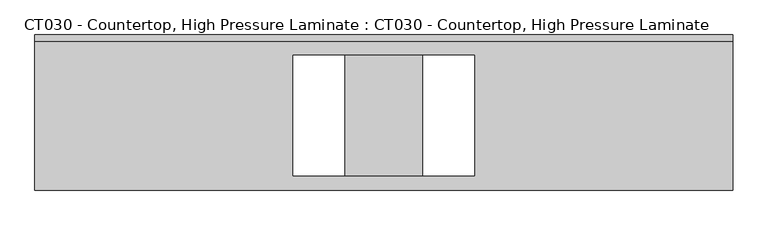
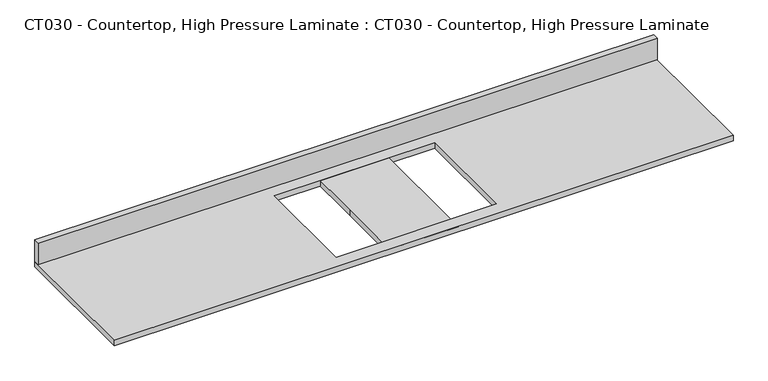
"""IFC4 building model written with IfcOpenShell, lengths in millimetres: proxy geometry, CT030 - Countertop, High Pressure Laminate : CT030 - Countertop, High Pressure Laminate."""

from ifc_helpers import new_model, si_unit, frame, origin, origin_with_axes, place, context, project, spatial, polyline, outline, extrude, source, transform, mapped, element, save


def ct030_countertop_high_pressure_laminate_ct030_countertop_1d1e0fe2(model_context):
    return source(origin(), model_context, "Body", "SweptSolid", [
        extrude(outline(polyline([(1371.6, 304.8), (1371.6, -304.8), (-1371.6, -304.8), (-1371.6, 304.8), (1371.6, 304.8)]), holes=[polyline([(355.6, 225.425), (-355.6000001, 225.425), (-355.6000001, -247.65), (355.6, -247.65), (355.6, 225.425)])]), origin_with_axes(), (0.0, 0.0, 1.0), 25.4),
        extrude(outline(polyline([(-1371.6, 279.4), (-1371.6, 304.8), (1371.6, 304.8), (1371.6, 279.4), (-1371.6, 279.4)])), frame((0.0, 0.0, 25.4), z_axis=(0.0, 0.0, 1.0), x_axis=(1.0, 0.0, 0.0)), (0.0, 0.0, 1.0), 101.6),
        extrude(outline(polyline([(-152.4, 304.8), (152.4, 304.8), (152.4, -304.8), (-152.4, -304.8), (-152.4, 0.0), (-152.4, 304.8)])), origin_with_axes(), (0.0, 0.0, 1.0), 25.4),
    ])


if __name__ == "__main__":
    model = new_model("IFC4")
    model_context = context("Model", 3, world=origin())
    ifc_project = project(units=[si_unit("LENGTHUNIT", "METRE", prefix="MILLI")], contexts=[model_context])
    site = spatial("IfcSite", under=ifc_project)
    building = spatial("IfcBuilding", under=site)
    placement = place(None, origin())
    ct030_countertop_high_pressure_laminate_ct030_countertop_shape = ct030_countertop_high_pressure_laminate_ct030_countertop_1d1e0fe2(model_context)
    element("IfcBuildingElementProxy", 1, Name="CT030 - Countertop, High Pressure Laminate : CT030 - Countertop, High Pressure Laminate", ObjectType="CT030 - Countertop, High Pressure Laminate : CT030 - Countertop, High Pressure Laminate", at=placement, inside=building, context=model_context, shape_type="MappedRepresentation", body=[
        mapped(ct030_countertop_high_pressure_laminate_ct030_countertop_shape, transform((0.0, 0.0, 0.0), x_axis=(1.0, 0.0, 0.0), y_axis=(0.0, 1.0, 0.0), z_axis=(0.0, 0.0, 1.0))),
    ])
    save(model, "model.ifc")
